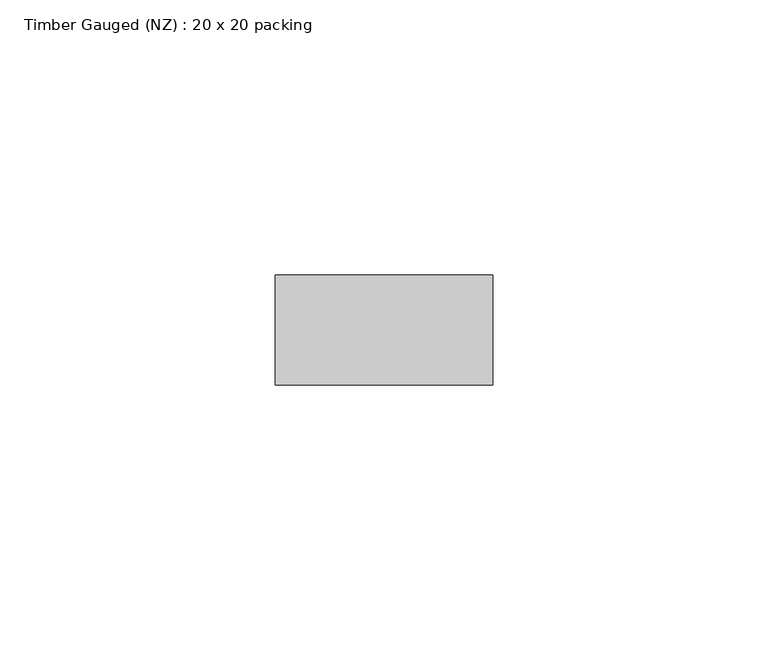
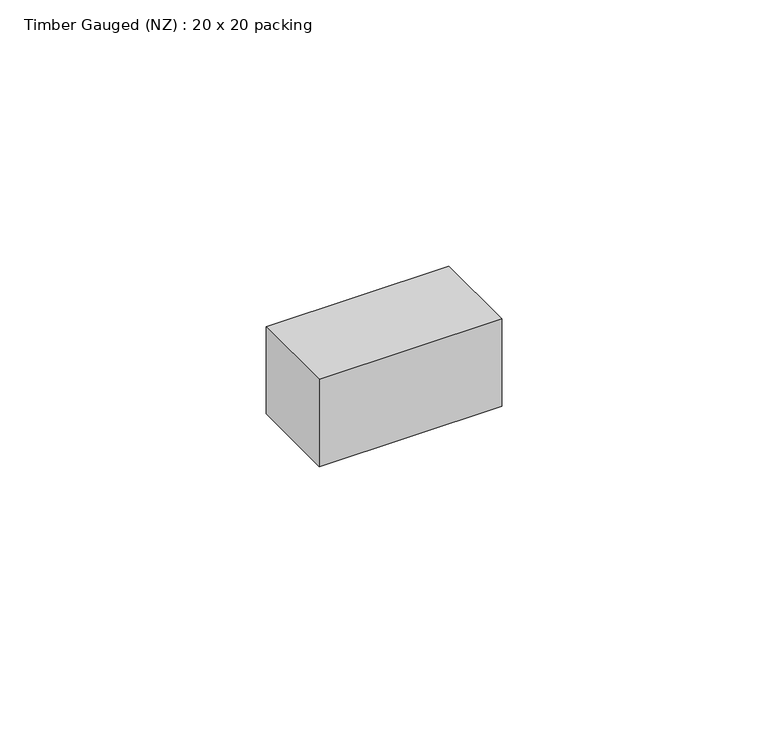
"""IFC4 building model written with IfcOpenShell, lengths in millimetres: beam geometry, Timber Gauged (NZ) : 20 x 20 packing."""

from ifc_helpers import new_model, si_unit, frame, origin, place, context, project, spatial, polyline, outline, extrude, source, transform, mapped, element, save


def timber_gauged_nz_20_x_20_packing_b5e9e187(model_context):
    return source(origin(), model_context, "Body", "SweptSolid", [
        extrude(outline(polyline([(19.610613, 10.0), (19.610613, -10.0), (-20.0, -10.0), (-20.0, 10.0), (19.610613, 10.0)])), frame((0.0, 0.0, -10.0), z_axis=(0.0, 0.0, 1.0), x_axis=(1.0, 0.0, 0.0)), (0.0, 0.0, 1.0), 20.0),
    ])


if __name__ == "__main__":
    model = new_model("IFC4")
    model_context = context("Model", 3, world=origin())
    ifc_project = project(units=[si_unit("LENGTHUNIT", "METRE", prefix="MILLI")], contexts=[model_context])
    site = spatial("IfcSite", under=ifc_project)
    building = spatial("IfcBuilding", under=site)
    placement = place(None, origin())
    timber_gauged_nz_20_x_20_packing_shape = timber_gauged_nz_20_x_20_packing_b5e9e187(model_context)
    element("IfcBeam", 1, ObjectType="Timber Gauged (NZ) : 20 x 20 packing", at=placement, inside=building, context=model_context, shape_type="MappedRepresentation", body=[
        mapped(timber_gauged_nz_20_x_20_packing_shape, transform((0.0, 0.0, 0.0), x_axis=(1.0, 0.0, 0.0), y_axis=(0.0, 1.0, 0.0), z_axis=(0.0, 0.0, 1.0))),
    ])
    save(model, "model.ifc")
